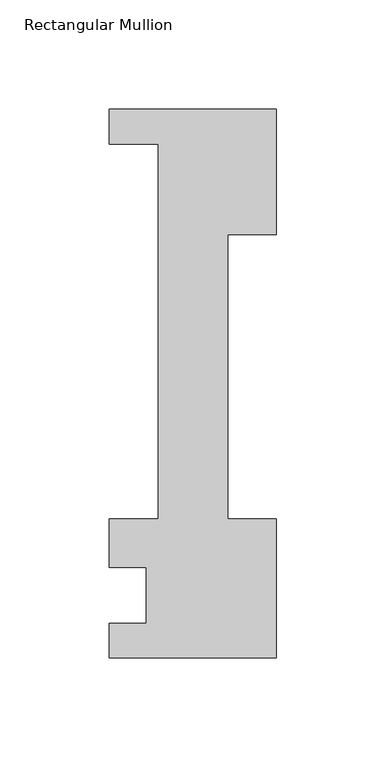
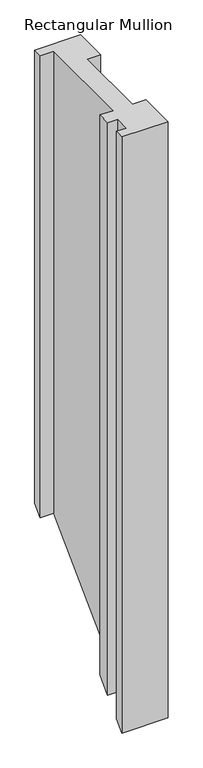
"""IFC4 building model written with IfcOpenShell, lengths in millimetres: member geometry, Rectangular Mullion."""

from ifc_helpers import new_model, si_unit, origin, place, context, project, spatial, faceted_brep, source, transform, mapped, element, save


def rectangular_mullion_af32cd65(model_context):
    return source(origin(), model_context, "Body", "Brep", [
        faceted_brep([(-76.2, 221.996, 0.0), (-76.2, 206.121, 0.0), (-53.975, 206.121, 0.0), (-53.975, 34.671, 0.0), (-76.2, 34.671, 0.0), (-76.2, 12.446, 0.0), (-59.2778052, 12.446, 0.0), (-59.2778052, -12.954, 0.0), (-76.2, -12.954, 0.0), (-76.2, -28.8082618, 0.0), (0.0, -28.8082618, 0.0), (0.0, 34.671, 0.0), (-22.225, 34.671, 0.0), (-22.225, 164.75372, 0.0), (0.0, 164.75372, 0.0), (0.0, 221.996, 0.0), (-76.2, 221.996, -794.004), (-76.2, 206.121, -809.879), (-53.975, 206.121, -809.879), (-53.975, 34.671, -981.329), (-76.2, 34.671, -981.329), (-76.2, 12.446, -1003.554), (-59.2778052, 12.446, -1003.554), (-59.2778052, -12.954, -1028.954), (-76.2, -12.954, -1028.954), (-76.2, -28.8082618, -1044.8082618), (0.0, -28.8082618, -1044.8082618), (0.0, 34.671, -981.329), (-22.225, 34.671, -981.329), (-22.225, 164.75372, -851.24628), (0.0, 164.75372, -851.24628), (0.0, 221.996, -794.004)], [[[0, 1, 2, 3, 4, 5, 6, 7, 8, 9, 10, 11, 12, 13, 14, 15]], [[1, 0, 16, 17]], [[2, 1, 17, 18]], [[3, 2, 18, 19]], [[4, 3, 19, 20]], [[5, 4, 20, 21]], [[6, 5, 21, 22]], [[7, 6, 22, 23]], [[8, 7, 23, 24]], [[9, 8, 24, 25]], [[10, 9, 25, 26]], [[11, 10, 26, 27]], [[12, 11, 27, 28]], [[13, 12, 28, 29]], [[14, 13, 29, 30]], [[15, 14, 30, 31]], [[0, 15, 31, 16]], [[16, 31, 30, 29, 28, 27, 26, 25, 24, 23, 22, 21, 20, 19, 18, 17]]]),
    ])


if __name__ == "__main__":
    model = new_model("IFC4")
    model_context = context("Model", 3, world=origin())
    ifc_project = project(units=[si_unit("LENGTHUNIT", "METRE", prefix="MILLI")], contexts=[model_context])
    site = spatial("IfcSite", under=ifc_project)
    building = spatial("IfcBuilding", under=site)
    placement = place(None, origin())
    rectangular_mullion_shape = rectangular_mullion_af32cd65(model_context)
    element("IfcMember", 1, ObjectType="Rectangular Mullion", at=placement, inside=building, context=model_context, shape_type="MappedRepresentation", body=[
        mapped(rectangular_mullion_shape, transform((0.0, 0.0, 0.0), x_axis=(1.0, 0.0, 0.0), y_axis=(0.0, 1.0, 0.0), z_axis=(0.0, 0.0, 1.0))),
    ])
    save(model, "model.ifc")
